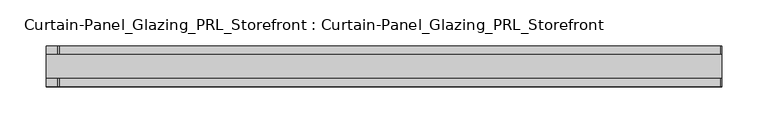
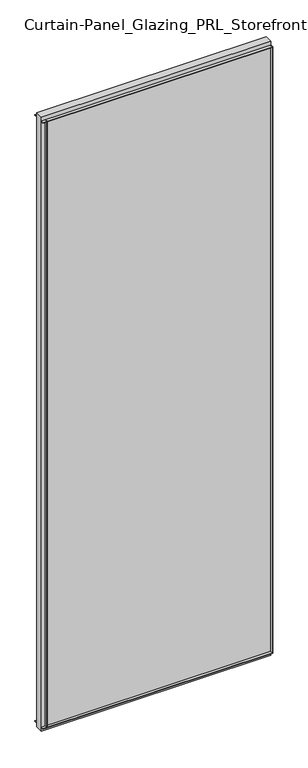
"""IFC4 building model written with IfcOpenShell, lengths in millimetres: plate geometry, Curtain-Panel_Glazing_PRL_Storefront : Curtain-Panel_Glazing_PRL_Storefront."""

from ifc_helpers import new_model, si_unit, frame, origin, origin_with_axes, place, context, project, spatial, polyline, outline, extrude, source, transform, mapped, element, save


def curtain_panel_glazing_prl_storefront_curtain_panel_glazing_c84eff83(model_context):
    return source(origin(), model_context, "Body", "SweptSolid", [
        extrude(outline(polyline([(338.6666667, -22.225), (337.0791667, -22.225), (337.0791667, -12.7), (338.6666667, -12.7), (338.6666667, -22.225)])), frame((0.0, 0.0, 12.7), z_axis=(0.0, 0.0, 1.0), x_axis=(1.0, 0.0, 0.0)), (0.0, 0.0, 1.0), 2051.05),
        extrude(outline(polyline([(338.6666667, 22.225), (338.6666667, 12.7), (337.0791667, 12.7), (337.0791667, 22.225), (338.6666667, 22.225)])), frame((0.0, 0.0, 12.7), z_axis=(0.0, 0.0, 1.0), x_axis=(1.0, 0.0, 0.0)), (0.0, 0.0, 1.0), 2051.05),
        extrude(outline(polyline([(-383.1166667, -22.225), (-383.1166667, -12.7), (-381.5291667, -12.7), (-381.5291667, -22.225), (-383.1166667, -22.225)])), frame((0.0, 0.0, 12.7), z_axis=(0.0, 0.0, 1.0), x_axis=(1.0, 0.0, 0.0)), (0.0, 0.0, 1.0), 2051.05),
        extrude(outline(polyline([(-383.1166667, 22.225), (-381.5291667, 22.225), (-381.5291667, 12.7), (-383.1166667, 12.7), (-383.1166667, 22.225)])), frame((0.0, 0.0, 12.7), z_axis=(0.0, 0.0, 1.0), x_axis=(1.0, 0.0, 0.0)), (0.0, 0.0, 1.0), 2051.05),
        extrude(outline(polyline([(338.6666667, 12.7), (338.6666667, -12.7), (-395.8166667, -12.7), (-395.8166667, 12.7), (338.6666667, 12.7)])), origin_with_axes(), (0.0, 0.0, 1.0), 2076.45),
        extrude(outline(polyline([(-395.8166667, -22.225), (-395.8166667, -12.7), (338.6666667, -12.7), (338.6666667, -22.225), (-395.8166667, -22.225)])), frame((0.0, 0.0, 2062.1625), z_axis=(0.0, 0.0, 1.0), x_axis=(1.0, 0.0, 0.0)), (0.0, 0.0, 1.0), 1.5875),
        extrude(outline(polyline([(-395.8166667, 22.225), (338.6666667, 22.225), (338.6666667, 12.7), (-395.8166667, 12.7), (-395.8166667, 22.225)])), frame((0.0, 0.0, 2062.1625), z_axis=(0.0, 0.0, 1.0), x_axis=(1.0, 0.0, 0.0)), (0.0, 0.0, 1.0), 1.5875),
        extrude(outline(polyline([(-395.8166667, -22.225), (-395.8166667, -12.7), (338.6666667, -12.7), (338.6666667, -22.225), (-395.8166667, -22.225)])), frame((0.0, 0.0, 12.7), z_axis=(0.0, 0.0, 1.0), x_axis=(1.0, 0.0, 0.0)), (0.0, 0.0, 1.0), 1.5875),
        extrude(outline(polyline([(-395.8166667, 22.225), (338.6666667, 22.225), (338.6666667, 12.7), (-395.8166667, 12.7), (-395.8166667, 22.225)])), frame((0.0, 0.0, 12.7), z_axis=(0.0, 0.0, 1.0), x_axis=(1.0, 0.0, 0.0)), (0.0, 0.0, 1.0), 1.5875),
    ])


if __name__ == "__main__":
    model = new_model("IFC4")
    model_context = context("Model", 3, world=origin())
    ifc_project = project(units=[si_unit("LENGTHUNIT", "METRE", prefix="MILLI")], contexts=[model_context])
    site = spatial("IfcSite", under=ifc_project)
    building = spatial("IfcBuilding", under=site)
    placement = place(None, origin())
    curtain_panel_glazing_prl_storefront_curtain_panel_glazing_shape = curtain_panel_glazing_prl_storefront_curtain_panel_glazing_c84eff83(model_context)
    element("IfcPlate", 1, ObjectType="Curtain-Panel_Glazing_PRL_Storefront : Curtain-Panel_Glazing_PRL_Storefront", at=placement, inside=building, context=model_context, shape_type="MappedRepresentation", body=[
        mapped(curtain_panel_glazing_prl_storefront_curtain_panel_glazing_shape, transform((0.0, 0.0, 0.0), x_axis=(1.0, 0.0, 0.0), y_axis=(0.0, 1.0, 0.0), z_axis=(0.0, 0.0, 1.0))),
    ])
    save(model, "model.ifc")
